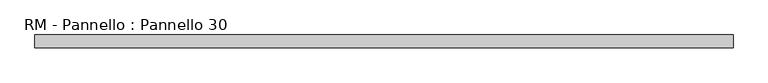
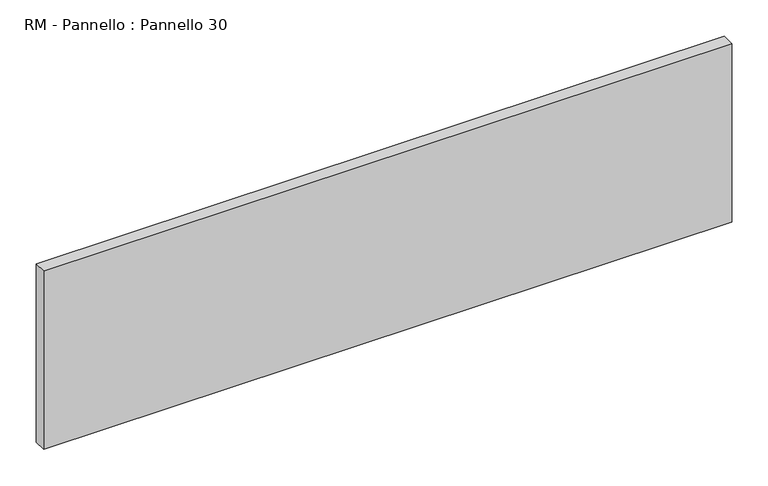
"""IFC4 building model written with IfcOpenShell, lengths in millimetres: plate geometry, RM - Pannello : Pannello 30."""

from ifc_helpers import new_model, si_unit, origin, origin_with_axes, place, context, project, spatial, polyline, outline, extrude, source, transform, mapped, element, save


def rm_pannello_pannello_30_0721a2f4(model_context):
    return source(origin(), model_context, "Body", "SweptSolid", [
        extrude(outline(polyline([(547.0, -200.0), (-547.0, -200.0), (-547.0, -180.0), (547.0, -180.0), (547.0, -200.0)])), origin_with_axes(), (0.0, 0.0, 1.0), 300.0),
    ])


if __name__ == "__main__":
    model = new_model("IFC4")
    model_context = context("Model", 3, world=origin())
    ifc_project = project(units=[si_unit("LENGTHUNIT", "METRE", prefix="MILLI")], contexts=[model_context])
    site = spatial("IfcSite", under=ifc_project)
    building = spatial("IfcBuilding", under=site)
    placement = place(None, origin())
    rm_pannello_pannello_30_shape = rm_pannello_pannello_30_0721a2f4(model_context)
    element("IfcPlate", 1, ObjectType="RM - Pannello : Pannello 30", at=placement, inside=building, context=model_context, shape_type="MappedRepresentation", body=[
        mapped(rm_pannello_pannello_30_shape, transform((0.0, 0.0, 0.0), x_axis=(1.0, 0.0, 0.0), y_axis=(0.0, 1.0, 0.0), z_axis=(0.0, 0.0, 1.0))),
    ])
    save(model, "model.ifc")
